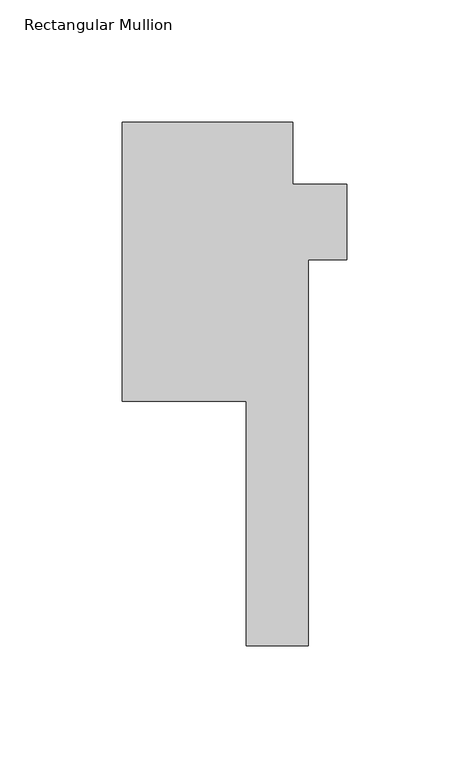
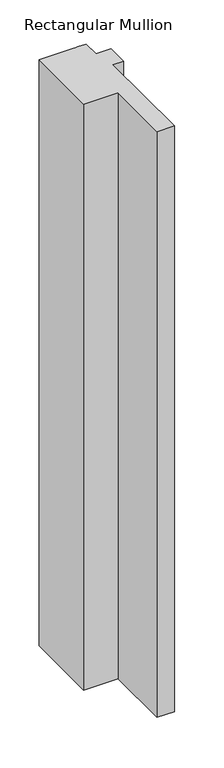
"""IFC4 building model written with IfcOpenShell, lengths in millimetres: member geometry, Rectangular Mullion."""

from ifc_helpers import new_model, si_unit, frame, origin, place, context, project, spatial, polyline, outline, extrude, source, transform, mapped, element, save


def rectangular_mullion_feae21ae(model_context):
    return source(origin(), model_context, "Body", "SweptSolid", [
        extrude(outline(polyline([(-9.5250001, 0.0), (-6.3500001, 0.0), (6.3500001, 0.0), (6.3500001, -25.4), (28.575, -25.4), (28.575, -31.75), (28.575, -56.388), (12.7, -56.388), (12.7, -214.376), (-12.7, -214.376), (-12.7, -114.3), (-63.5, -114.3), (-63.5, 0.0), (-12.7, 0.0), (-9.5250001, 0.0)])), frame((0.0, 0.0, -914.4), z_axis=(0.0, 0.0, 1.0), x_axis=(1.0, 0.0, 0.0)), (0.0, 0.0, 1.0), 914.4),
    ])


if __name__ == "__main__":
    model = new_model("IFC4")
    model_context = context("Model", 3, world=origin())
    ifc_project = project(units=[si_unit("LENGTHUNIT", "METRE", prefix="MILLI")], contexts=[model_context])
    site = spatial("IfcSite", under=ifc_project)
    building = spatial("IfcBuilding", under=site)
    placement = place(None, origin())
    rectangular_mullion_shape = rectangular_mullion_feae21ae(model_context)
    element("IfcMember", 1, ObjectType="Rectangular Mullion", at=placement, inside=building, context=model_context, shape_type="MappedRepresentation", body=[
        mapped(rectangular_mullion_shape, transform((0.0, 0.0, 0.0), x_axis=(1.0, 0.0, 0.0), y_axis=(0.0, 1.0, 0.0), z_axis=(0.0, 0.0, 1.0))),
    ])
    save(model, "model.ifc")
